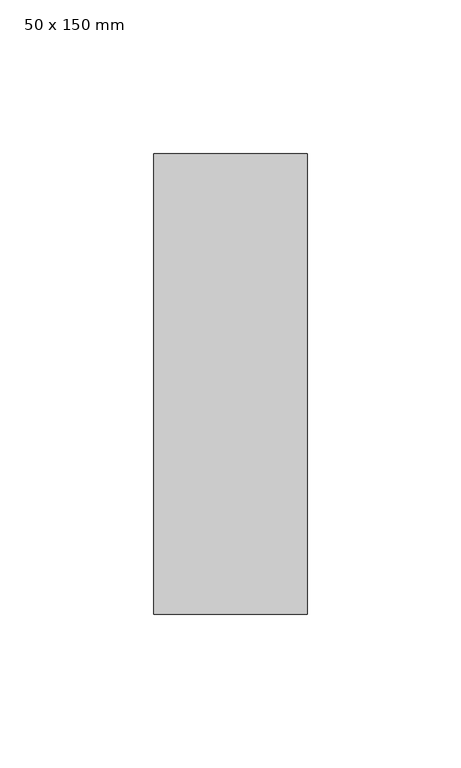
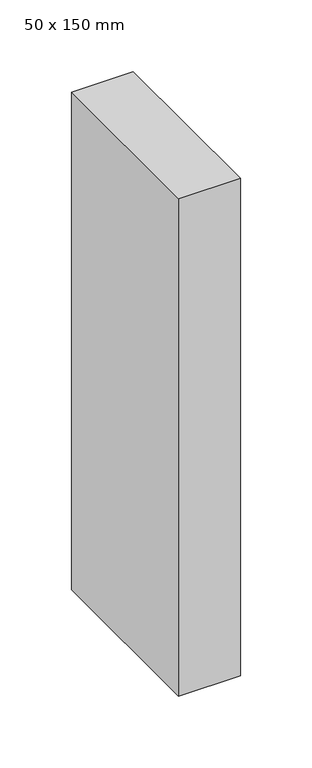
"""IFC4 building model written with IfcOpenShell, lengths in millimetres: member geometry, 50 x 150 mm."""

from ifc_helpers import new_model, si_unit, frame, origin, place, context, project, spatial, polyline, outline, extrude, source, transform, mapped, element, save


def member_50_x_150_mm_89c22e8d(model_context):
    return source(origin(), model_context, "Body", "SweptSolid", [
        extrude(outline(polyline([(0.0, 75.0), (0.0, -75.0), (-50.0, -75.0), (-50.0, 75.0), (0.0, 75.0)])), frame((0.0, 0.0, -425.0), z_axis=(0.0, 0.0, 1.0), x_axis=(1.0, 0.0, 0.0)), (0.0, 0.0, 1.0), 425.0),
    ])


if __name__ == "__main__":
    model = new_model("IFC4")
    model_context = context("Model", 3, world=origin())
    ifc_project = project(units=[si_unit("LENGTHUNIT", "METRE", prefix="MILLI")], contexts=[model_context])
    site = spatial("IfcSite", under=ifc_project)
    building = spatial("IfcBuilding", under=site)
    placement = place(None, origin())
    member_50_x_150_mm_shape = member_50_x_150_mm_89c22e8d(model_context)
    element("IfcMember", 1, ObjectType="50 x 150 mm", at=placement, inside=building, context=model_context, shape_type="MappedRepresentation", body=[
        mapped(member_50_x_150_mm_shape, transform((0.0, 0.0, 0.0), x_axis=(1.0, 0.0, 0.0), y_axis=(0.0, 1.0, 0.0), z_axis=(0.0, 0.0, 1.0))),
    ])
    save(model, "model.ifc")
